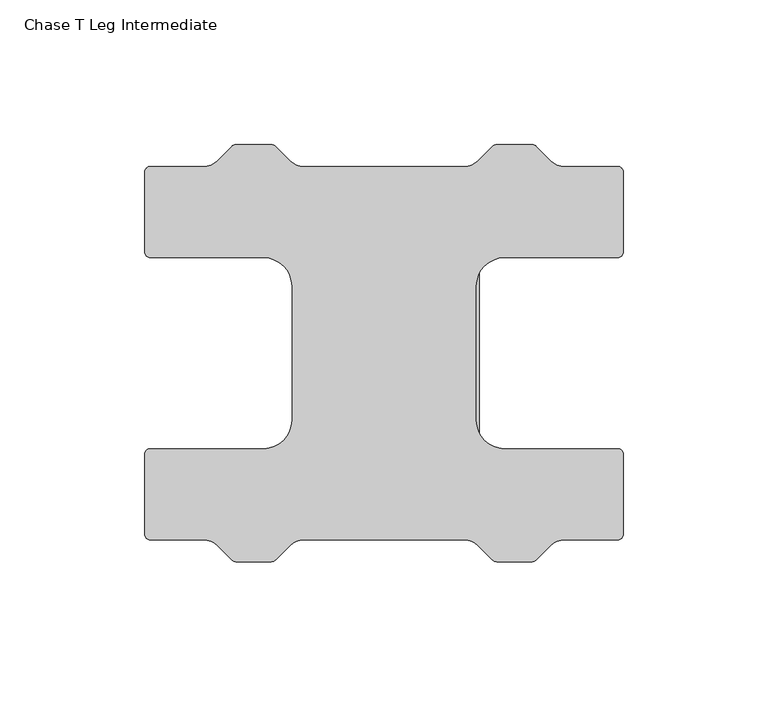
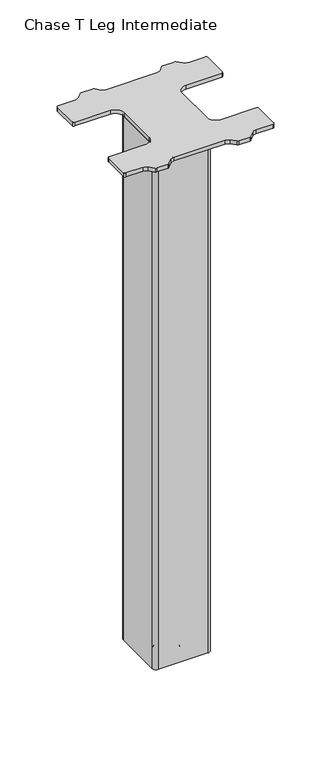
"""IFC4 building model written with IfcOpenShell, lengths in millimetres: furniture geometry, Chase T Leg Intermediate."""

from ifc_helpers import new_model, si_unit, point, frame, frame_2d, origin, place, context, project, spatial, polyline, circle_curve, ellipse_curve, trimmed, segment, composite_curve, outline, extrude, source, transform, mapped, element, save
from ifc_brep_helpers import plane_surface, cylinder_surface, revolved_surface, advanced_brep


def chase_t_leg_intermediate_c7cfabe8(model_context):
    return source(origin(), model_context, "Body", "SolidModel", [
        extrude(outline(composite_curve([segment(polyline([(-27.2921954, 31.7499992), (27.3065865, 31.7499992)]), True, "CONTINUOUS"), segment(trimmed(circle_curve(frame_2d((27.3065865, 27.3065865)), 4.4434127), [point((27.3065865, 31.7499992))], [point((31.7499992, 27.3065865))], False, "CARTESIAN"), True, "CONTINUOUS"), segment(polyline([(31.7499992, 27.3065865), (31.7499992, -27.3065865)]), True, "CONTINUOUS"), segment(trimmed(circle_curve(frame_2d((27.3065865, -27.3065865)), 4.4434127), [point((31.7499992, -27.3065865))], [point((27.3065865, -31.7499992))], False, "CARTESIAN"), True, "CONTINUOUS"), segment(polyline([(27.3065865, -31.7499992), (-27.2921954, -31.7499992)]), True, "CONTINUOUS"), segment(trimmed(circle_curve(frame_2d((-27.2921954, -27.2921954)), 4.4578039), [point((-27.2921954, -31.7499992))], [point((-31.7499992, -27.2921954))], False, "CARTESIAN"), True, "CONTINUOUS"), segment(polyline([(-31.7499992, -27.2921954), (-31.7499992, 27.2921954)]), True, "CONTINUOUS"), segment(trimmed(circle_curve(frame_2d((-27.2921954, 27.2921954)), 4.4578039), [point((-31.7499992, 27.2921954))], [point((-27.2921954, 31.7499992))], False, "CARTESIAN"), True, "CONTINUOUS")], self_intersect=False), holes=[composite_curve([segment(trimmed(circle_curve(frame_2d((-27.2375939, -27.2375939)), 2.8614069), [point((-30.0990008, -27.2375939))], [point((-27.2375939, -30.0990008))], True, "CARTESIAN"), True, "CONTINUOUS"), segment(polyline([(-27.2375939, -30.0990008), (27.224505, -30.0990008)]), True, "CONTINUOUS"), segment(trimmed(circle_curve(frame_2d((27.224505, -27.224505)), 2.8744958), [point((27.224505, -30.0990008))], [point((30.0990008, -27.224505))], True, "CARTESIAN"), True, "CONTINUOUS"), segment(polyline([(30.0990008, -27.224505), (30.0990008, 27.224505)]), True, "CONTINUOUS"), segment(trimmed(circle_curve(frame_2d((27.224505, 27.224505)), 2.8744958), [point((30.0990008, 27.224505))], [point((27.224505, 30.0990008))], True, "CARTESIAN"), True, "CONTINUOUS"), segment(polyline([(27.224505, 30.0990008), (-27.2375939, 30.0990008)]), True, "CONTINUOUS"), segment(trimmed(circle_curve(frame_2d((-27.2375939, 27.2375939)), 2.8614069), [point((-27.2375939, 30.0990008))], [point((-30.0990008, 27.2375939))], True, "CARTESIAN"), True, "CONTINUOUS"), segment(polyline([(-30.0990008, 27.2375939), (-30.0990008, -27.2375939)]), True, "CONTINUOUS")], self_intersect=False)]), frame((0.0, 0.0, 9.525), z_axis=(0.0, 0.0, 1.0), x_axis=(1.0, 0.0, 0.0)), (0.0, 0.0, 1.0), 609.1240116),
        extrude(outline(composite_curve([segment(trimmed(circle_curve(frame_2d((-24.2816644, 27.5316636)), 1.0673356), [point((-25.3490001, 27.5316636))], [point((-24.2816644, 28.5989993))], False, "CARTESIAN"), True, "CONTINUOUS"), segment(polyline([(-24.2816644, 28.5989993), (24.9071974, 28.5989993)]), True, "CONTINUOUS"), segment(trimmed(circle_curve(frame_2d((24.9071974, 26.9288384)), 1.6701608), [point((24.9071974, 28.5989993))], [point((26.0881795, 28.1098205))], False, "CARTESIAN"), True, "CONTINUOUS"), segment(polyline([(26.0881795, 28.1098205), (28.200093, 25.997907)]), True, "CONTINUOUS"), segment(trimmed(circle_curve(frame_2d((27.2370479, 25.034862)), 1.3619513), [point((28.200093, 25.997907))], [point((28.5989993, 25.034862))], False, "CARTESIAN"), True, "CONTINUOUS"), segment(polyline([(28.5989993, 25.034862), (28.5989993, 16.4388479)]), True, "CONTINUOUS"), segment(trimmed(circle_curve(frame_2d((27.5395238, 16.4388479)), 1.0594754), [point((28.5989993, 16.4388479))], [point((28.2886861, 15.6896856))], False, "CARTESIAN"), True, "CONTINUOUS"), segment(polyline([(28.2886861, 15.6896856), (25.8449933, 13.2459928)]), True, "CONTINUOUS"), segment(trimmed(circle_curve(frame_2d((27.0424269, 12.0485592)), 1.6934269), [point((25.8449933, 13.2459928))], [point((25.3490001, 12.0485592))], True, "CARTESIAN"), True, "CONTINUOUS"), segment(polyline([(25.3490001, 12.0485592), (25.3490001, -12.0485592)]), True, "CONTINUOUS"), segment(trimmed(circle_curve(frame_2d((27.0424269, -12.0485592)), 1.6934269), [point((25.3490001, -12.0485592))], [point((25.8449933, -13.2459928))], True, "CARTESIAN"), True, "CONTINUOUS"), segment(polyline([(25.8449933, -13.2459928), (28.2886861, -15.6896856)]), True, "CONTINUOUS"), segment(trimmed(circle_curve(frame_2d((27.5395238, -16.4388479)), 1.0594754), [point((28.2886861, -15.6896856))], [point((28.5989993, -16.4388479))], False, "CARTESIAN"), True, "CONTINUOUS"), segment(polyline([(28.5989993, -16.4388479), (28.5989993, -25.034862)]), True, "CONTINUOUS"), segment(trimmed(circle_curve(frame_2d((27.2370479, -25.034862)), 1.3619513), [point((28.5989993, -25.034862))], [point((28.200093, -25.997907))], False, "CARTESIAN"), True, "CONTINUOUS"), segment(polyline([(28.200093, -25.997907), (26.0881795, -28.1098205)]), True, "CONTINUOUS"), segment(trimmed(circle_curve(frame_2d((24.9071974, -26.9288384)), 1.6701608), [point((26.0881795, -28.1098205))], [point((24.9071974, -28.5989993))], False, "CARTESIAN"), True, "CONTINUOUS"), segment(polyline([(24.9071974, -28.5989993), (-24.2816644, -28.5989993)]), True, "CONTINUOUS"), segment(trimmed(circle_curve(frame_2d((-24.2816644, -27.5316636)), 1.0673356), [point((-24.2816644, -28.5989993))], [point((-25.3490001, -27.5316636))], False, "CARTESIAN"), True, "CONTINUOUS"), segment(polyline([(-25.3490001, -27.5316636), (-25.3490001, -13.4736569)]), True, "CONTINUOUS"), segment(trimmed(circle_curve(frame_2d((-26.4925057, -13.4736569)), 1.1435056), [point((-25.3490001, -13.4736569))], [point((-25.6839249, -12.6650765))], True, "CARTESIAN"), True, "CONTINUOUS"), segment(polyline([(-25.6839249, -12.6650765), (-28.2339322, -10.1150681)]), True, "CONTINUOUS"), segment(trimmed(circle_curve(frame_2d((-27.3525817, -9.233718)), 1.2464176), [point((-28.2339322, -10.1150681))], [point((-28.5989993, -9.233718))], False, "CARTESIAN"), True, "CONTINUOUS"), segment(polyline([(-28.5989993, -9.233718), (-28.5989993, 9.233718)]), True, "CONTINUOUS"), segment(trimmed(circle_curve(frame_2d((-27.3525817, 9.233718)), 1.2464176), [point((-28.5989993, 9.233718))], [point((-28.2339322, 10.1150681))], False, "CARTESIAN"), True, "CONTINUOUS"), segment(polyline([(-28.2339322, 10.1150681), (-25.6839249, 12.6650765)]), True, "CONTINUOUS"), segment(trimmed(circle_curve(frame_2d((-26.4925057, 13.4736569)), 1.1435056), [point((-25.6839249, 12.6650765))], [point((-25.3490001, 13.4736569))], True, "CARTESIAN"), True, "CONTINUOUS"), segment(polyline([(-25.3490001, 13.4736569), (-25.3490001, 27.5316636)]), True, "CONTINUOUS")], self_intersect=False)), frame((0.0, 0.0, 16.5007841), z_axis=(0.0, 0.0, 1.0), x_axis=(1.0, 0.0, 0.0)), (0.0, 0.0, 1.0), 6.3742163),
        advanced_brep(
        [(0.0, -5.8520047, 16.5249997), (0.0, 5.8520047, 16.5249997), (0.0, 0.0, 16.5249997), (0.0, -5.8520047, 11.3499999), (0.0, 5.8520047, 11.3499999), (0.0, -10.7052287, 11.3499999), (0.0, 10.7052287, 11.3499999), (0.0, -10.7052287, 6.3500002), (0.0, 10.7052287, 6.3500002), (0.0, -10.7052287, 0.0), (0.0, 10.7052287, 0.0), (0.0, 0.0, 0.0)],
        [
            (0, 1, circle_curve(frame((0.0, 0.0, 16.5249997), z_axis=(0.0, 0.0, 1.0), x_axis=(0.0, 1.0, 0.0)), 5.8520047)),
            (1, 2),
            (2, 0),
            (1, 0, circle_curve(frame((0.0, 0.0, 16.5249997), z_axis=(0.0, 0.0, 1.0), x_axis=(0.0, 1.0, 0.0)), 5.8520047)),
            (3, 4, circle_curve(frame((0.0, 0.0, 11.3499999), z_axis=(0.0, 0.0, 1.0), x_axis=(0.0, 1.0, 0.0)), 5.8520047)),
            (4, 1),
            (0, 3),
            (4, 3, circle_curve(frame((0.0, 0.0, 11.3499999), z_axis=(0.0, 0.0, 1.0), x_axis=(0.0, 1.0, 0.0)), 5.8520047)),
            (5, 6, circle_curve(frame((0.0, 0.0, 11.3499999), z_axis=(0.0, 0.0, 1.0), x_axis=(0.0, 1.0, 0.0)), 10.7052287)),
            (6, 4),
            (3, 5),
            (6, 5, circle_curve(frame((0.0, 0.0, 11.3499999), z_axis=(0.0, 0.0, 1.0), x_axis=(0.0, 1.0, 0.0)), 10.7052287)),
            (7, 8, circle_curve(frame((0.0, 0.0, 6.3500002), z_axis=(0.0, 0.0, 1.0), x_axis=(0.0, 1.0, 0.0)), 10.7052287)),
            (8, 6),
            (5, 7),
            (8, 7, circle_curve(frame((0.0, 0.0, 6.3500002), z_axis=(0.0, 0.0, 1.0), x_axis=(0.0, 1.0, 0.0)), 10.7052287)),
            (9, 10, circle_curve(frame((0.0, 0.0, 0.0), z_axis=(0.0, 0.0, 1.0), x_axis=(0.0, 1.0, 0.0)), 10.7052287)),
            (10, 8, circle_curve(frame((0.0, 10.7052287, 3.1750001), z_axis=(1.0, 0.0, 0.0), x_axis=(0.0, -1.0, 0.0)), 3.1750001)),
            (7, 9, circle_curve(frame((0.0, -10.7052287, 3.1750001), z_axis=(1.0, 0.0, 0.0), x_axis=(0.0, 1.0, 0.0)), 3.1750001)),
            (10, 9, circle_curve(frame((0.0, 0.0, 0.0), z_axis=(0.0, 0.0, 1.0), x_axis=(0.0, 1.0, 0.0)), 10.7052287)),
            (11, 10),
            (9, 11),
        ],
        [
            plane_surface(frame((0.0, 0.0, 16.5249997), z_axis=(0.0, 0.0, 1.0), x_axis=(0.0, 1.0, 0.0))),
            cylinder_surface(frame((0.0, 0.0, 0.0), z_axis=(0.0, 0.0, -1.0), x_axis=(0.0, 1.0, 0.0)), 5.8520047),
            plane_surface(frame((0.0, 0.0, 11.3499999), z_axis=(0.0, 0.0, 1.0), x_axis=(0.0, 1.0, 0.0))),
            cylinder_surface(frame((0.0, 0.0, 0.0), z_axis=(0.0, 0.0, -1.0), x_axis=(0.0, 1.0, 0.0)), 10.7052287),
            revolved_surface(trimmed(ellipse_curve(frame((0.0, 10.7052287, 3.1750001), z_axis=(-1.0, 0.0, 0.0), x_axis=(0.0, -1.0, 0.0)), 3.1750001, 3.1750001), [point((0.0, 10.7052287, 6.3500002))], [point((0.0, 10.7052287, 0.0))], True, "CARTESIAN"), (0.0, 0.0, 0.0), (0.0, 0.0, -1.0)),
            plane_surface(frame((0.0, 0.0, 0.0), z_axis=(0.0, 0.0, -1.0), x_axis=(0.0, 1.0, 0.0))),
        ],
        [
            (0, [[1, 2, 3]]),
            (0, [[4, -3, -2]]),
            (1, [[5, 6, -1, 7]]),
            (1, [[8, -7, -4, -6]]),
            (2, [[9, 10, -5, 11]]),
            (2, [[12, -11, -8, -10]]),
            (3, [[13, 14, -9, 15]]),
            (3, [[16, -15, -12, -14]]),
            (4, [[17, 18, -13, 19]]),
            (4, [[20, -19, -16, -18]]),
            (5, [[21, -17, 22]]),
            (5, [[-22, -20, -21]]),
        ],
    ),
        extrude(outline(composite_curve([segment(trimmed(circle_curve(frame_2d((-42.6394032, -23.1645971)), 9.8354031), [point((-42.6394032, -33.0000002))], [point((-32.8040001, -23.1645971))], True, "CARTESIAN"), True, "CONTINUOUS"), segment(polyline([(-32.8040001, -23.1645971), (-32.8040001, 23.1645971)]), True, "CONTINUOUS"), segment(trimmed(circle_curve(frame_2d((-42.6394032, 23.1645971)), 9.8354031), [point((-32.8040001, 23.1645971))], [point((-42.6394032, 33.0000002))], True, "CARTESIAN"), True, "CONTINUOUS"), segment(polyline([(-42.6394032, 33.0000002), (-81.7392357, 33.0000002)]), True, "CONTINUOUS"), segment(trimmed(circle_curve(frame_2d((-81.7392357, 34.8647639)), 1.8647637), [point((-81.7392357, 33.0000002))], [point((-83.6039994, 34.8647639))], False, "CARTESIAN"), True, "CONTINUOUS"), segment(polyline([(-83.6039994, 34.8647639), (-83.6039994, 62.6083815)]), True, "CONTINUOUS"), segment(trimmed(circle_curve(frame_2d((-81.7123799, 62.6083815)), 1.8916195), [point((-83.6039994, 62.6083815))], [point((-81.7123799, 64.500001))], False, "CARTESIAN"), True, "CONTINUOUS"), segment(polyline([(-81.7123799, 64.500001), (-63.2532692, 64.500001)]), True, "CONTINUOUS"), segment(trimmed(circle_curve(frame_2d((-63.2532692, 71.016607)), 6.5166059), [point((-63.2532692, 64.500001))], [point((-58.645335, 66.4086687))], True, "CARTESIAN"), True, "CONTINUOUS"), segment(polyline([(-58.645335, 66.4086687), (-53.6820418, 71.3719576)]), True, "CONTINUOUS"), segment(trimmed(circle_curve(frame_2d((-52.1658074, 69.8557219)), 2.1442801), [point((-53.6820418, 71.3719576))], [point((-52.1658074, 72.000002))], False, "CARTESIAN"), True, "CONTINUOUS"), segment(polyline([(-52.1658074, 72.000002), (-39.9932076, 72.000002)]), True, "CONTINUOUS"), segment(trimmed(circle_curve(frame_2d((-39.9932076, 69.73256)), 2.267442), [point((-39.9932076, 72.000002))], [point((-38.3898844, 71.335884))], False, "CARTESIAN"), True, "CONTINUOUS"), segment(polyline([(-38.3898844, 71.335884), (-33.4138702, 66.359872)]), True, "CONTINUOUS"), segment(trimmed(circle_curve(frame_2d((-28.9237431, 70.850001)), 6.35), [point((-33.4138702, 66.359872))], [point((-28.9237431, 64.500001))], True, "CARTESIAN"), True, "CONTINUOUS"), segment(polyline([(-28.9237431, 64.500001), (26.8157414, 64.500001)]), True, "CONTINUOUS"), segment(trimmed(circle_curve(frame_2d((26.8157414, 70.850001)), 6.35), [point((26.8157414, 64.500001))], [point((31.3058684, 66.359872))], True, "CARTESIAN"), True, "CONTINUOUS"), segment(polyline([(31.3058684, 66.359872), (36.2818826, 71.335884)]), True, "CONTINUOUS"), segment(trimmed(circle_curve(frame_2d((37.8852058, 69.73256)), 2.267442), [point((36.2818826, 71.335884))], [point((37.8852058, 72.000002))], False, "CARTESIAN"), True, "CONTINUOUS"), segment(polyline([(37.8852058, 72.000002), (50.0578057, 72.000002)]), True, "CONTINUOUS"), segment(trimmed(circle_curve(frame_2d((50.0578057, 69.8557219)), 2.1442801), [point((50.0578057, 72.000002))], [point((51.57404, 71.3719576))], False, "CARTESIAN"), True, "CONTINUOUS"), segment(polyline([(51.57404, 71.3719576), (56.5373332, 66.4086687)]), True, "CONTINUOUS"), segment(trimmed(circle_curve(frame_2d((61.1452674, 71.016607)), 6.5166059), [point((56.5373332, 66.4086687))], [point((61.1452674, 64.500001))], True, "CARTESIAN"), True, "CONTINUOUS"), segment(polyline([(61.1452674, 64.500001), (79.6043781, 64.500001)]), True, "CONTINUOUS"), segment(trimmed(circle_curve(frame_2d((79.6043781, 62.6083815)), 1.8916195), [point((79.6043781, 64.500001))], [point((81.4959976, 62.6083815))], False, "CARTESIAN"), True, "CONTINUOUS"), segment(polyline([(81.4959976, 62.6083815), (81.4959976, 34.8647639)]), True, "CONTINUOUS"), segment(trimmed(circle_curve(frame_2d((79.6312339, 34.8647639)), 1.8647637), [point((81.4959976, 34.8647639))], [point((79.6312339, 33.0000002))], False, "CARTESIAN"), True, "CONTINUOUS"), segment(polyline([(79.6312339, 33.0000002), (40.5314014, 33.0000002)]), True, "CONTINUOUS"), segment(trimmed(circle_curve(frame_2d((40.5314014, 23.1645971)), 9.8354031), [point((40.5314014, 33.0000002))], [point((30.6959984, 23.1645971))], True, "CARTESIAN"), True, "CONTINUOUS"), segment(polyline([(30.6959984, 23.1645971), (30.6959984, -23.1645971)]), True, "CONTINUOUS"), segment(trimmed(circle_curve(frame_2d((40.5314014, -23.1645971)), 9.8354031), [point((30.6959984, -23.1645971))], [point((40.5314014, -33.0000002))], True, "CARTESIAN"), True, "CONTINUOUS"), segment(polyline([(40.5314014, -33.0000002), (79.6312339, -33.0000002)]), True, "CONTINUOUS"), segment(trimmed(circle_curve(frame_2d((79.6312339, -34.8647639)), 1.8647637), [point((79.6312339, -33.0000002))], [point((81.4959976, -34.8647639))], False, "CARTESIAN"), True, "CONTINUOUS"), segment(polyline([(81.4959976, -34.8647639), (81.4959976, -62.6083815)]), True, "CONTINUOUS"), segment(trimmed(circle_curve(frame_2d((79.6043781, -62.6083815)), 1.8916195), [point((81.4959976, -62.6083815))], [point((79.6043781, -64.500001))], False, "CARTESIAN"), True, "CONTINUOUS"), segment(polyline([(79.6043781, -64.500001), (61.1452674, -64.500001)]), True, "CONTINUOUS"), segment(trimmed(circle_curve(frame_2d((61.1452674, -71.016607)), 6.5166059), [point((61.1452674, -64.500001))], [point((56.5373332, -66.4086687))], True, "CARTESIAN"), True, "CONTINUOUS"), segment(polyline([(56.5373332, -66.4086687), (51.57404, -71.3719576)]), True, "CONTINUOUS"), segment(trimmed(circle_curve(frame_2d((50.0578057, -69.8557219)), 2.1442801), [point((51.57404, -71.3719576))], [point((50.0578057, -72.000002))], False, "CARTESIAN"), True, "CONTINUOUS"), segment(polyline([(50.0578057, -72.000002), (37.8852058, -72.000002)]), True, "CONTINUOUS"), segment(trimmed(circle_curve(frame_2d((37.8852058, -69.73256)), 2.267442), [point((37.8852058, -72.000002))], [point((36.2818826, -71.335884))], False, "CARTESIAN"), True, "CONTINUOUS"), segment(polyline([(36.2818826, -71.335884), (31.3058684, -66.359872)]), True, "CONTINUOUS"), segment(trimmed(circle_curve(frame_2d((26.8157414, -70.850001)), 6.35), [point((31.3058684, -66.359872))], [point((26.8157414, -64.500001))], True, "CARTESIAN"), True, "CONTINUOUS"), segment(polyline([(26.8157414, -64.500001), (-28.9237431, -64.500001)]), True, "CONTINUOUS"), segment(trimmed(circle_curve(frame_2d((-28.9237431, -70.850001)), 6.35), [point((-28.9237431, -64.500001))], [point((-33.4138702, -66.359872))], True, "CARTESIAN"), True, "CONTINUOUS"), segment(polyline([(-33.4138702, -66.359872), (-38.3898844, -71.335884)]), True, "CONTINUOUS"), segment(trimmed(circle_curve(frame_2d((-39.9932076, -69.73256)), 2.267442), [point((-38.3898844, -71.335884))], [point((-39.9932076, -72.000002))], False, "CARTESIAN"), True, "CONTINUOUS"), segment(polyline([(-39.9932076, -72.000002), (-52.1658074, -72.000002)]), True, "CONTINUOUS"), segment(trimmed(circle_curve(frame_2d((-52.1658074, -69.8557219)), 2.1442801), [point((-52.1658074, -72.000002))], [point((-53.6820418, -71.3719576))], False, "CARTESIAN"), True, "CONTINUOUS"), segment(polyline([(-53.6820418, -71.3719576), (-58.645335, -66.4086687)]), True, "CONTINUOUS"), segment(trimmed(circle_curve(frame_2d((-63.2532692, -71.016607)), 6.5166059), [point((-58.645335, -66.4086687))], [point((-63.2532692, -64.500001))], True, "CARTESIAN"), True, "CONTINUOUS"), segment(polyline([(-63.2532692, -64.500001), (-81.7123799, -64.500001)]), True, "CONTINUOUS"), segment(trimmed(circle_curve(frame_2d((-81.7123799, -62.6083815)), 1.8916195), [point((-81.7123799, -64.500001))], [point((-83.6039994, -62.6083815))], False, "CARTESIAN"), True, "CONTINUOUS"), segment(polyline([(-83.6039994, -62.6083815), (-83.6039994, -34.8647639)]), True, "CONTINUOUS"), segment(trimmed(circle_curve(frame_2d((-81.7392357, -34.8647639)), 1.8647637), [point((-83.6039994, -34.8647639))], [point((-81.7392357, -33.0000002))], False, "CARTESIAN"), True, "CONTINUOUS"), segment(polyline([(-81.7392357, -33.0000002), (-42.6394032, -33.0000002)]), True, "CONTINUOUS")], self_intersect=False)), frame((0.0, 0.0, 620.6490349), z_axis=(0.0, 0.0, 1.0), x_axis=(1.0, 0.0, 0.0)), (0.0, 0.0, 1.0), 4.5719593),
    ])


if __name__ == "__main__":
    model = new_model("IFC4")
    model_context = context("Model", 3, world=origin())
    ifc_project = project(units=[si_unit("LENGTHUNIT", "METRE", prefix="MILLI")], contexts=[model_context])
    site = spatial("IfcSite", under=ifc_project)
    building = spatial("IfcBuilding", under=site)
    placement = place(None, origin())
    chase_t_leg_intermediate_shape = chase_t_leg_intermediate_c7cfabe8(model_context)
    element("IfcFurniture", 1, ObjectType="Chase T Leg Intermediate", at=placement, inside=building, context=model_context, shape_type="MappedRepresentation", body=[
        mapped(chase_t_leg_intermediate_shape, transform((0.0, 0.0, 0.0), x_axis=(1.0, 0.0, 0.0), y_axis=(0.0, 1.0, 0.0), z_axis=(0.0, 0.0, 1.0))),
    ])
    save(model, "model.ifc")
